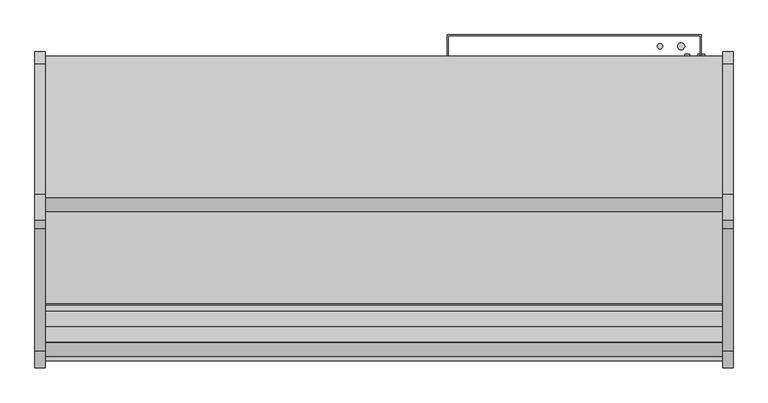
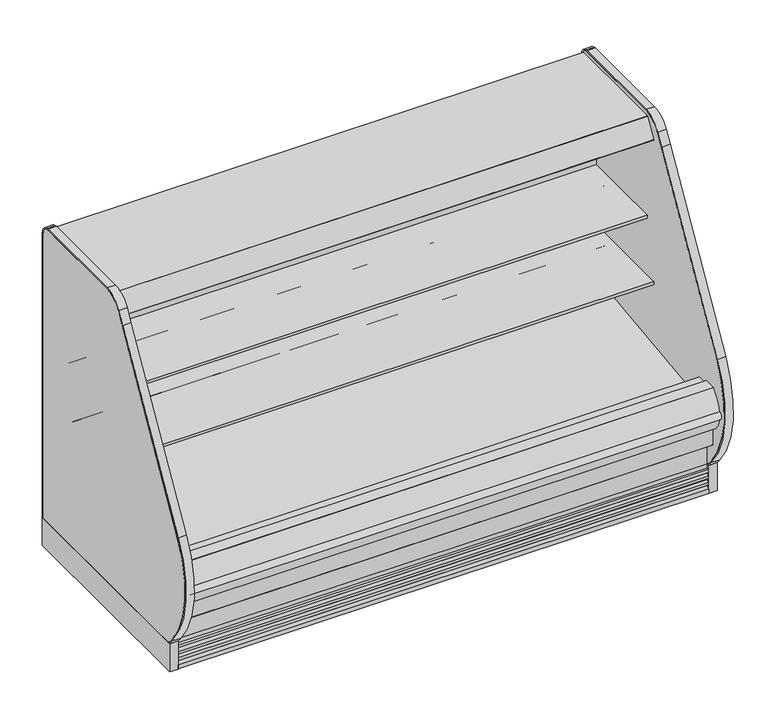
"""IFC4 building model written with IfcOpenShell, lengths in millimetres: proxy geometry."""

from ifc_helpers import new_model, si_unit, point, frame, frame_2d, origin, origin_with_axes, place, context, project, spatial, polyline, circle_curve, trimmed, segment, composite_curve, outline, extrude, source, transform, mapped, element, save
from ifc_brep_helpers import plane_surface, revolved_surface, advanced_brep


def mechanical_equipment_713462fd(model_context):
    return source(origin(), model_context, "Body", "SolidModel", [
        extrude(outline(polyline([(-1207.2868281, 130.175), (-1207.2868281, -0.0003808), (-1376.2339273, -0.0003808), (-1376.2339273, 136.4466748), (-1288.2500912, 136.4466748), (-1280.7758002, 130.175), (-1207.2868281, 130.175)])), frame((0.0, 0.0, 0.0), z_axis=(1.0, 0.0, 0.0), x_axis=(0.0, 1.0, 0.0)), (0.0, 0.0, 1.0), 2438.4),
        extrude(outline(composite_curve([segment(polyline([(-1398.2490481, 0.0), (-1398.2490481, 20.8794252)]), True, "CONTINUOUS"), segment(trimmed(circle_curve(frame_2d((-1397.8038485, 33.7824713)), 12.9107243), [point((-1398.2490481, 20.8794252))], [point((-1385.5100751, 29.8391301))], True, "CARTESIAN"), True, "CONTINUOUS"), segment(polyline([(-1385.5100751, 29.8391301), (-1381.3520273, 40.67714), (-1391.9892225, 38.5193172), (-1393.9831225, 38.5193172), (-1393.9831225, 51.2193172)]), True, "CONTINUOUS"), segment(trimmed(circle_curve(frame_2d((-1398.4009903, 64.7214645)), 14.2065314), [point((-1393.9831225, 51.2193172))], [point((-1384.8411244, 60.4840631))], True, "CARTESIAN"), True, "CONTINUOUS"), segment(polyline([(-1384.8411244, 60.4840631), (-1381.3520273, 71.6493231), (-1391.9892225, 69.4915004), (-1393.9831225, 69.4915004), (-1393.9831225, 82.1915004)]), True, "CONTINUOUS"), segment(trimmed(circle_curve(frame_2d((-1398.4733657, 95.765064)), 14.2969897), [point((-1393.9831225, 82.1915004))], [point((-1384.8411244, 91.4562462))], True, "CARTESIAN"), True, "CONTINUOUS"), segment(polyline([(-1384.8411244, 91.4562462), (-1381.3520273, 102.4950543), (-1391.9892225, 100.4638704), (-1393.9831225, 100.4638704), (-1393.9831225, 113.1638704)]), True, "CONTINUOUS"), segment(trimmed(circle_curve(frame_2d((-1393.3853579, 124.1285303)), 10.9809422), [point((-1393.9831225, 113.1638704))], [point((-1385.5996238, 116.3849243))], True, "CARTESIAN"), True, "CONTINUOUS"), segment(polyline([(-1385.5996238, 116.3849243), (-1385.5996238, 136.5150291), (-1385.5996238, 218.1326317), (-1376.2339273, 210.2738792), (-1376.2339273, 136.5150291), (-1376.2339273, 0.0), (-1398.2490481, 0.0)]), True, "CONTINUOUS")], self_intersect=False)), frame((0.0, 0.0, 0.0), z_axis=(1.0, 0.0, 0.0), x_axis=(0.0, 1.0, 0.0)), (0.0, 0.0, 1.0), 2438.4),
        extrude(outline(polyline([(0.0, -101.6), (0.0, 0.0), (2438.4, 0.0), (2438.4, -101.6), (0.0, -101.6)])), frame((2438.4, -799.6871494, 1475.6701837), z_axis=(0.0, 0.42261826174518546, 0.906307787034558), x_axis=(-1.0, 0.0, 0.0)), (0.0, 0.0, 1.0), 25.4),
        extrude(outline(composite_curve([segment(polyline([(-856.3720739, 1487.6222561), (-855.4141789, 1487.6575247), (-854.8866944, 1488.2643263), (-826.873982, 1488.75329), (-826.3775297, 1488.1402224), (-825.5510905, 1488.0799085), (-824.9739816, 1487.5027996), (-826.8086172, 1485.4249376), (-826.6916488, 1478.7238224)]), True, "CONTINUOUS"), segment(trimmed(circle_curve(frame_2d((-823.9572832, 1478.3207136)), 2.7639197), [point((-826.6916488, 1478.7238224))], [point((-824.8850662, 1475.717164))], True, "CARTESIAN"), True, "CONTINUOUS"), segment(trimmed(circle_curve(frame_2d((-826.0622124, 1472.4138499)), 3.5067873), [point((-824.8850662, 1475.717164))], [point((-823.8846356, 1475.1626163))], False, "CARTESIAN"), True, "CONTINUOUS"), segment(trimmed(circle_curve(frame_2d((-826.2189323, 1469.0233906)), 6.5680312), [point((-823.8846356, 1475.1626163))], [point((-819.6542304, 1469.2324879))], False, "CARTESIAN"), True, "CONTINUOUS"), segment(trimmed(circle_curve(frame_2d((-1771.7877951, 1448.0264548)), 952.3696872), [point((-819.6542304, 1469.2324879))], [point((-819.4223583, 1450.8717555))], False, "CARTESIAN"), True, "CONTINUOUS"), segment(trimmed(circle_curve(frame_2d((-850.2254196, 1450.8892193)), 30.8030662), [point((-819.4223583, 1450.8717555))], [point((-819.4538953, 1449.4955962))], False, "CARTESIAN"), True, "CONTINUOUS"), segment(trimmed(circle_curve(frame_2d((-820.1873248, 1449.5288127)), 0.7341812), [point((-819.4538953, 1449.4955962))], [point((-820.1745116, 1448.7947433))], False, "CARTESIAN"), True, "CONTINUOUS"), segment(polyline([(-820.1745116, 1448.7947433), (-821.4350911, 1448.7727398), (-822.2122695, 1449.0640291), (-858.1537301, 1448.4560531), (-859.1450473, 1448.07347), (-860.3206391, 1448.0939901)]), True, "CONTINUOUS"), segment(trimmed(circle_curve(frame_2d((-860.3078259, 1448.8280595)), 0.7341812), [point((-860.3206391, 1448.0939901))], [point((-861.0113379, 1448.6180762))], False, "CARTESIAN"), True, "CONTINUOUS"), segment(trimmed(circle_curve(frame_2d((308.1866283, 1488.9190227)), 1169.8923242), [point((-861.0113379, 1448.6180762))], [point((-861.5275157, 1468.501587))], False, "CARTESIAN"), True, "CONTINUOUS"), segment(trimmed(circle_curve(frame_2d((-855.2571389, 1468.6110368)), 6.2713319), [point((-861.5275157, 1468.501587))], [point((-858.4871137, 1473.9866175))], False, "CARTESIAN"), True, "CONTINUOUS"), segment(polyline([(-858.4871137, 1473.9866175), (-856.5261956, 1475.1648559)]), True, "CONTINUOUS"), segment(trimmed(circle_curve(frame_2d((-858.3327963, 1478.1715444)), 3.5077032), [point((-856.5261956, 1475.1648559))], [point((-854.825627, 1478.232742))], True, "CARTESIAN"), True, "CONTINUOUS"), segment(polyline([(-854.825627, 1478.232742), (-854.9784229, 1485.020105), (-856.884522, 1487.0327521), (-856.3720739, 1487.6222561)]), True, "CONTINUOUS")], self_intersect=False)), frame((0.0, 0.0, 0.0), z_axis=(1.0, 0.0, 0.0), x_axis=(0.0, 1.0, 0.0)), (0.0, 0.0, 1.0), 2438.4),
        extrude(outline(composite_curve([segment(polyline([(-903.3507477, 1486.8022403), (-902.3928526, 1486.8375089), (-901.8653681, 1487.4443105), (-873.8526557, 1487.9332742), (-873.3562034, 1487.3202066), (-872.5297642, 1487.2598927), (-871.9526553, 1486.6827838), (-873.787291, 1484.6049218), (-873.6703226, 1477.9038066)]), True, "CONTINUOUS"), segment(trimmed(circle_curve(frame_2d((-870.935957, 1477.5006978)), 2.7639197), [point((-873.6703226, 1477.9038066))], [point((-871.8637399, 1474.8971482))], True, "CARTESIAN"), True, "CONTINUOUS"), segment(trimmed(circle_curve(frame_2d((-873.0408861, 1471.5938341)), 3.5067873), [point((-871.8637399, 1474.8971482))], [point((-870.8633094, 1474.3426005))], False, "CARTESIAN"), True, "CONTINUOUS"), segment(trimmed(circle_curve(frame_2d((-873.1976061, 1468.2033748)), 6.5680312), [point((-870.8633094, 1474.3426005))], [point((-866.6329041, 1468.4124721))], False, "CARTESIAN"), True, "CONTINUOUS"), segment(trimmed(circle_curve(frame_2d((-1818.7664689, 1447.206439)), 952.3696872), [point((-866.6329041, 1468.4124721))], [point((-866.401032, 1450.0517397))], False, "CARTESIAN"), True, "CONTINUOUS"), segment(trimmed(circle_curve(frame_2d((-897.2040933, 1450.0692035)), 30.8030662), [point((-866.401032, 1450.0517397))], [point((-866.4325691, 1448.6755804))], False, "CARTESIAN"), True, "CONTINUOUS"), segment(trimmed(circle_curve(frame_2d((-867.1659985, 1448.7087969)), 0.7341812), [point((-866.4325691, 1448.6755804))], [point((-867.1531853, 1447.9747275))], False, "CARTESIAN"), True, "CONTINUOUS"), segment(polyline([(-867.1531853, 1447.9747275), (-868.4137648, 1447.952724), (-869.1909432, 1448.2440133), (-905.1324038, 1447.6360373), (-906.1237211, 1447.2534542), (-907.2993128, 1447.2739743)]), True, "CONTINUOUS"), segment(trimmed(circle_curve(frame_2d((-907.2864996, 1448.0080437)), 0.7341812), [point((-907.2993128, 1447.2739743))], [point((-907.9900116, 1447.7980604))], False, "CARTESIAN"), True, "CONTINUOUS"), segment(trimmed(circle_curve(frame_2d((261.2079545, 1488.0990069)), 1169.8923242), [point((-907.9900116, 1447.7980604))], [point((-908.5061894, 1467.6815712))], False, "CARTESIAN"), True, "CONTINUOUS"), segment(trimmed(circle_curve(frame_2d((-902.2358127, 1467.791021)), 6.2713319), [point((-908.5061894, 1467.6815712))], [point((-905.4657874, 1473.1666017))], False, "CARTESIAN"), True, "CONTINUOUS"), segment(polyline([(-905.4657874, 1473.1666017), (-903.5048694, 1474.3448401)]), True, "CONTINUOUS"), segment(trimmed(circle_curve(frame_2d((-905.31147, 1477.3515286)), 3.5077032), [point((-903.5048694, 1474.3448401))], [point((-901.8043008, 1477.4127262))], True, "CARTESIAN"), True, "CONTINUOUS"), segment(polyline([(-901.8043008, 1477.4127262), (-901.9570967, 1484.2000892), (-903.8631957, 1486.2127363), (-903.3507477, 1486.8022403)]), True, "CONTINUOUS")], self_intersect=False)), frame((0.0, 0.0, 0.0), z_axis=(1.0, 0.0, 0.0), x_axis=(0.0, 1.0, 0.0)), (0.0, 0.0, 1.0), 2438.4),
        extrude(outline(composite_curve([segment(polyline([(-1430.5207837, 390.4771975), (-1430.5207837, 349.2540688), (-1454.9909131, 349.2540688)]), True, "CONTINUOUS"), segment(trimmed(circle_curve(frame_2d((-1359.7644053, 433.283303)), 126.9999999), [point((-1454.9909131, 349.2540688))], [point((-1486.2875159, 444.2788694))], False, "CARTESIAN"), True, "CONTINUOUS"), segment(trimmed(circle_curve(frame_2d((-1312.9030759, 405.0685499)), 177.7628003), [point((-1486.2875159, 444.2788694))], [point((-1433.6857347, 535.4953973))], False, "CARTESIAN"), True, "CONTINUOUS"), segment(trimmed(circle_curve(frame_2d((-1422.8289382, 523.7717132)), 15.9785731), [point((-1433.6857347, 535.4953973))], [point((-1432.3887837, 536.575))], False, "CARTESIAN"), True, "CONTINUOUS"), segment(polyline([(-1432.3887837, 536.575), (-1377.3315877, 536.575), (-1377.3315877, 522.2875), (-1379.5124455, 522.2875), (-1379.5124455, 390.4771975), (-1430.5207837, 390.4771975)]), True, "CONTINUOUS")], self_intersect=False)), frame((0.0, 0.0, 0.0), z_axis=(1.0, 0.0, 0.0), x_axis=(0.0, 1.0, 0.0)), (0.0, 0.0, 1.0), 2438.4),
        extrude(outline(composite_curve([segment(trimmed(circle_curve(frame_2d((1219.2, -1125.4089273)), 38.1), [point((1181.1, -1125.4089273))], [point((1257.3, -1125.4089273))], False, "CARTESIAN"), True, "CONTINUOUS"), segment(trimmed(circle_curve(frame_2d((1219.2, -1125.4089273)), 38.1), [point((1257.3, -1125.4089273))], [point((1181.1, -1125.4089273))], False, "CARTESIAN"), True, "CONTINUOUS")], self_intersect=False)), frame((0.0, 0.0, 68.5310382), z_axis=(0.0, 0.0, 1.0), x_axis=(1.0, 0.0, 0.0)), (0.0, 0.0, 1.0), 52.7807458),
        extrude(outline(polyline([(2438.4, -452.3089273), (2438.4, -503.4770145), (0.0, -503.4770145), (0.0, -452.3089273), (2438.4, -452.3089273)])), frame((0.0, 0.0, 415.8429537), z_axis=(0.0, 0.0, 1.0), x_axis=(1.0, 0.0, 0.0)), (0.0, 0.0, 1.0), 1046.4774215),
        extrude(outline(composite_curve([segment(polyline([(-503.4770145, 415.8429537), (-452.3089273, 415.8429537), (-452.3089273, 350.7638053)]), True, "CONTINUOUS"), segment(trimmed(circle_curve(frame_2d((-604.8944357, 364.8057873)), 153.2302667), [point((-452.3089273, 350.7638053))], [point((-599.382701, 211.674682))], False, "CARTESIAN"), True, "CONTINUOUS"), segment(polyline([(-599.382701, 211.674682), (-1043.4743285, 195.6902403), (-1096.5862318, 157.108203), (-1163.4022387, 157.108203), (-1222.6456907, 183.5781606)]), True, "CONTINUOUS"), segment(trimmed(circle_curve(frame_2d((-1229.7607422, 334.6755912)), 151.2648587), [point((-1222.6456907, 183.5781606))], [point((-1379.5124455, 313.3335003))], False, "CARTESIAN"), True, "CONTINUOUS"), segment(polyline([(-1379.5124455, 313.3335003), (-1379.5124455, 520.7), (-1322.6270145, 520.7), (-1322.6270145, 413.1242521), (-1298.2271496, 413.1242521), (-1292.7855784, 415.0658915), (-599.3661067, 499.7256153), (-599.0019346, 494.5177112), (-516.37749, 500.2953752)]), True, "CONTINUOUS"), segment(trimmed(circle_curve(frame_2d((-516.37749, 513.1958507)), 12.9004754), [point((-516.37749, 500.2953752))], [point((-503.4770145, 513.1958507))], True, "CARTESIAN"), True, "CONTINUOUS"), segment(polyline([(-503.4770145, 513.1958507), (-503.4770145, 415.8429537)]), True, "CONTINUOUS")], self_intersect=False)), frame((0.0, 0.0, 0.0), z_axis=(1.0, 0.0, 0.0), x_axis=(0.0, 1.0, 0.0)), (0.0, 0.0, 1.0), 2438.4),
        extrude(outline(composite_curve([segment(polyline([(-530.9801751, 960.3717348), (-569.2018757, 991.4550034)]), True, "CONTINUOUS"), segment(trimmed(circle_curve(frame_2d((-609.2663488, 942.1895186)), 63.5), [point((-569.2018757, 991.4550034))], [point((-601.7092961, 1005.2382375))], True, "CARTESIAN"), True, "CONTINUOUS"), segment(polyline([(-601.7092961, 1005.2382375), (-795.7710126, 1028.4985771), (-795.7710126, 1042.2134588), (-909.8770145, 1042.2134588), (-909.8770145, 1055.7072088), (-503.4770145, 1055.7072088), (-503.4770145, 954.8969333), (-514.5849068, 954.6806162)]), True, "CONTINUOUS"), segment(trimmed(circle_curve(frame_2d((-515.0728525, 979.736644)), 25.0607786), [point((-514.5849068, 954.6806162))], [point((-530.9801751, 960.3717348))], False, "CARTESIAN"), True, "CONTINUOUS")], self_intersect=False)), frame((0.0, 0.0, 0.0), z_axis=(1.0, 0.0, 0.0), x_axis=(0.0, 1.0, 0.0)), (0.0, 0.0, 1.0), 2438.4),
        extrude(outline(composite_curve([segment(polyline([(-503.4770145, 662.7969333), (-514.5849068, 662.5806162)]), True, "CONTINUOUS"), segment(trimmed(circle_curve(frame_2d((-515.0728525, 687.636644)), 25.0607786), [point((-514.5849068, 662.5806162))], [point((-530.9801751, 668.2717348))], False, "CARTESIAN"), True, "CONTINUOUS"), segment(polyline([(-530.9801751, 668.2717348), (-569.2018757, 699.3550034)]), True, "CONTINUOUS"), segment(trimmed(circle_curve(frame_2d((-609.2663488, 650.0895186)), 63.5), [point((-569.2018757, 699.3550034))], [point((-602.5000022, 713.2279898))], True, "CARTESIAN"), True, "CONTINUOUS"), segment(polyline([(-602.5000022, 713.2279898), (-846.5710126, 728.338644), (-846.5710126, 750.1134588), (-960.6770145, 750.1134588), (-960.6770145, 763.6072088), (-503.4770145, 763.6072088), (-503.4770145, 662.7969333)]), True, "CONTINUOUS")], self_intersect=False)), frame((0.0, 0.0, 0.0), z_axis=(1.0, 0.0, 0.0), x_axis=(0.0, 1.0, 0.0)), (0.0, 0.0, 1.0), 2438.4),
        extrude(outline(composite_curve([segment(trimmed(circle_curve(frame_2d((-695.3013052, 1455.43905)), 0.76835), [point((-695.3013052, 1456.2074))], [point((-695.9976668, 1455.7637687))], True, "CARTESIAN"), True, "CONTINUOUS"), segment(polyline([(-695.9976668, 1455.7637687), (-706.5611798, 1433.110242)]), True, "CONTINUOUS"), segment(trimmed(circle_curve(frame_2d((-707.9856498, 1433.7744833)), 1.5717288), [point((-706.5611798, 1433.110242))], [point((-708.6498911, 1432.3500132))], False, "CARTESIAN"), True, "CONTINUOUS"), segment(polyline([(-708.6498911, 1432.3500132), (-715.881023, 1435.7219454), (-715.5482534, 1436.4355721), (-708.2947774, 1433.0532208)]), True, "CONTINUOUS"), segment(trimmed(circle_curve(frame_2d((-707.943721, 1433.7474904)), 0.7779788), [point((-708.2947774, 1433.0532208))], [point((-707.2380589, 1433.419936))], True, "CARTESIAN"), True, "CONTINUOUS"), segment(polyline([(-707.2380589, 1433.419936), (-696.6605659, 1456.2074), (-788.8757065, 1499.8444274), (-800.3012047, 1476.8507393)]), True, "CONTINUOUS"), segment(trimmed(circle_curve(frame_2d((-799.6017464, 1476.5031805)), 0.78105), [point((-800.3012047, 1476.8507393))], [point((-799.950235, 1475.8041849))], True, "CARTESIAN"), True, "CONTINUOUS"), segment(polyline([(-799.950235, 1475.8041849), (-795.6757679, 1473.6731228), (-796.0261524, 1472.9679779), (-800.3025155, 1475.0928905)]), True, "CONTINUOUS"), segment(trimmed(circle_curve(frame_2d((-799.6017464, 1476.5031805)), 1.5748), [point((-800.3025155, 1475.0928905))], [point((-801.0120364, 1477.2039496))], False, "CARTESIAN"), True, "CONTINUOUS"), segment(polyline([(-801.0120364, 1477.2039496), (-796.0056712, 1487.2792037), (-816.3291285, 1487.2792037)]), True, "CONTINUOUS"), segment(trimmed(circle_curve(frame_2d((-816.5814575, 1490.9411983)), 3.6706776), [point((-816.3291285, 1487.2792037))], [point((-817.4214474, 1487.3679237))], False, "CARTESIAN"), True, "CONTINUOUS"), segment(polyline([(-817.4214474, 1487.3679237), (-825.4219867, 1488.7786346), (-923.6334072, 1487.0643479)]), True, "CONTINUOUS"), segment(trimmed(circle_curve(frame_2d((-923.6196651, 1486.2770678)), 0.7874), [point((-923.6334072, 1487.0643479))], [point((-924.3015736, 1486.6707678))], True, "CARTESIAN"), True, "CONTINUOUS"), segment(polyline([(-924.3015736, 1486.6707678), (-925.5155025, 1486.0413812), (-941.8431879, 1457.7610006), (-942.4019879, 1456.7931306), (-948.3519379, 1446.4875149)]), True, "CONTINUOUS"), segment(trimmed(circle_curve(frame_2d((-949.7267532, 1447.2812649)), 1.5875), [point((-948.3519379, 1446.4875149))], [point((-950.5205032, 1445.9064496))], False, "CARTESIAN"), True, "CONTINUOUS"), segment(polyline([(-950.5205032, 1445.9064496), (-960.9762429, 1451.9430737)]), True, "CONTINUOUS"), segment(trimmed(circle_curve(frame_2d((-960.1824929, 1453.317889)), 1.5875), [point((-960.9762429, 1451.9430737))], [point((-961.5573082, 1454.111639))], False, "CARTESIAN"), True, "CONTINUOUS"), segment(polyline([(-961.5573082, 1454.111639), (-912.4789521, 1539.1178453)]), True, "CONTINUOUS"), segment(trimmed(circle_curve(frame_2d((-911.133385, 1538.3409817)), 1.553727), [point((-912.4789521, 1539.1178453))], [point((-911.133385, 1539.8947088))], False, "CARTESIAN"), True, "CONTINUOUS"), segment(polyline([(-911.133385, 1539.8947088), (-401.5419232, 1539.8947088), (-401.5419232, 1456.2074), (-695.3013052, 1456.2074)]), True, "CONTINUOUS")], self_intersect=False)), frame((0.0, 0.0, 0.0), z_axis=(1.0, 0.0, 0.0), x_axis=(0.0, 1.0, 0.0)), (0.0, 0.0, 1.0), 2438.4),
        extrude(outline(composite_curve([segment(trimmed(circle_curve(frame_2d((2193.5400636, -715.8339273)), 9.525), [point((2184.0150636, -715.8339273))], [point((2203.0650636, -715.8339273))], False, "CARTESIAN"), True, "CONTINUOUS"), segment(trimmed(circle_curve(frame_2d((2193.5400636, -715.8339273)), 9.525), [point((2203.0650636, -715.8339273))], [point((2184.0150636, -715.8339273))], False, "CARTESIAN"), True, "CONTINUOUS")], self_intersect=False)), frame((0.0, 0.0, 68.5310382), z_axis=(0.0, 0.0, 1.0), x_axis=(1.0, 0.0, 0.0)), (0.0, 0.0, 1.0), 52.7807458),
        extrude(outline(composite_curve([segment(trimmed(circle_curve(frame_2d((2237.0110784, -715.8339273)), 12.7), [point((2224.3110784, -715.8339273))], [point((2249.7110784, -715.8339273))], False, "CARTESIAN"), True, "CONTINUOUS"), segment(trimmed(circle_curve(frame_2d((2237.0110784, -715.8339273)), 12.7), [point((2249.7110784, -715.8339273))], [point((2224.3110784, -715.8339273))], False, "CARTESIAN"), True, "CONTINUOUS")], self_intersect=False)), frame((0.0, 0.0, 68.5310382), z_axis=(0.0, 0.0, 1.0), x_axis=(1.0, 0.0, 0.0)), (0.0, 0.0, 1.0), 52.7807458),
        advanced_brep(
        [(0.0, -401.5089273, 1495.0345648), (0.0, -401.5089273, 130.175), (0.0, -1280.7758002, 130.175), (0.0, -1430.5207837, 255.8259604), (0.0, -1430.5207837, 390.4771975), (0.0, -1379.5124455, 390.4771975), (0.0, -1379.5124455, 313.3335003), (0.0, -1222.6456907, 183.5781606), (0.0, -1163.4022387, 157.108203), (0.0, -1097.1040899, 157.108203), (0.0, -1043.9921866, 195.6902403), (0.0, -599.382701, 211.674682), (0.0, -452.3089273, 350.7638053), (0.0, -452.3089273, 1495.0345648), (2438.4, -401.5089273, 1495.0345648), (2438.4, -452.3089273, 1495.0345648), (2438.4, -452.3089273, 350.7638053), (2438.4, -599.382701, 211.674682), (2438.4, -1043.9921866, 195.6902403), (2438.4, -1097.1040899, 157.108203), (2438.4, -1163.4022387, 157.108203), (2438.4, -1222.6456907, 183.5781606), (2438.4, -1379.5124455, 313.3335003), (2438.4, -1379.5124455, 390.4771975), (2438.4, -1430.5207837, 390.4771975), (2438.4, -1430.5207837, 255.8259604), (2438.4, -1280.7758002, 130.175), (2438.4, -401.5089273, 130.175), (2336.8, -401.5089273, 417.7254285), (2336.8, -401.5089273, 316.1254285), (2336.8, -446.7209273, 316.1254285), (2336.8, -446.7209273, 417.7254285)],
        [
            (0, 1),
            (1, 2),
            (2, 3),
            (3, 4),
            (4, 5),
            (5, 6),
            (6, 7, circle_curve(frame((0.0, -1229.7607422, 334.6755912), z_axis=(1.0, 0.0, 0.0), x_axis=(0.0, 1.0, 0.0)), 151.2648587)),
            (7, 8),
            (8, 9),
            (9, 10),
            (10, 11),
            (11, 12, circle_curve(frame((0.0, -604.8944357, 364.8057873), z_axis=(1.0, 0.0, 0.0), x_axis=(0.0, 1.0, 0.0)), 153.2302667)),
            (12, 13),
            (13, 0),
            (14, 15),
            (15, 16),
            (16, 17, circle_curve(frame((2438.4, -604.8944357, 364.8057873), z_axis=(-1.0, 0.0, 0.0), x_axis=(0.0, 1.0, 0.0)), 153.2302667)),
            (17, 18),
            (18, 19),
            (19, 20),
            (20, 21),
            (21, 22, circle_curve(frame((2438.4, -1229.7607422, 334.6755912), z_axis=(-1.0, 0.0, 0.0), x_axis=(0.0, 1.0, 0.0)), 151.2648587)),
            (22, 23),
            (23, 24),
            (24, 25),
            (25, 26),
            (26, 27),
            (27, 14),
            (13, 15),
            (14, 0),
            (12, 16),
            (5, 23),
            (22, 6),
            (4, 24),
            (3, 25),
            (2, 26),
            (1, 27),
            (28, 29, circle_curve(frame((2336.8, -401.5089273, 366.9254285), z_axis=(0.0, -1.0, 0.0), x_axis=(0.0, 0.0, 1.0)), 50.8)),
            (29, 28, circle_curve(frame((2336.8, -401.5089273, 366.9254285), z_axis=(0.0, -1.0, 0.0), x_axis=(0.0, 0.0, 1.0)), 50.8)),
            (11, 17),
            (10, 18),
            (9, 19),
            (8, 20),
            (30, 31, circle_curve(frame((2336.8, -446.7209273, 366.9254285), z_axis=(0.0, 1.0, 0.0), x_axis=(0.0, 0.0, 1.0)), 50.8)),
            (31, 30, circle_curve(frame((2336.8, -446.7209273, 366.9254285), z_axis=(0.0, 1.0, 0.0), x_axis=(0.0, 0.0, 1.0)), 50.8)),
            (30, 29),
            (28, 31),
            (7, 21),
        ],
        [
            plane_surface(frame((0.0, -452.3089273, 1495.0345648), z_axis=(-1.0, 0.0, 0.0), x_axis=(0.0, 1.0, 0.0))),
            plane_surface(frame((2438.4, -452.3089273, 1495.0345648), z_axis=(1.0, 0.0, 0.0), x_axis=(0.0, -1.0, 0.0))),
            plane_surface(frame((2438.4, -401.5089273, 1495.0345648), z_axis=(0.0, 0.0, 1.0), x_axis=(-1.0, 0.0, 0.0))),
            plane_surface(frame((2438.4, -452.3089273, 1495.0345648), z_axis=(0.0, -1.0, 0.0), x_axis=(-1.0, 0.0, 0.0))),
            plane_surface(frame((2438.4, -1379.5124455, 313.3335003), z_axis=(0.0, 1.0, 0.0), x_axis=(-1.0, 0.0, 0.0))),
            plane_surface(frame((2438.4, -1379.5124455, 390.4771975), z_axis=(0.0, 0.0, 1.0), x_axis=(-1.0, 0.0, 0.0))),
            plane_surface(frame((2438.4, -1430.5207837, 390.4771975), z_axis=(0.0, -1.0, 0.0), x_axis=(-1.0, 0.0, 0.0))),
            plane_surface(frame((2438.4, -1430.5207837, 255.8259604), z_axis=(0.0, -0.6427876096870797, -0.7660444431185247), x_axis=(-1.0, 0.0, 0.0))),
            plane_surface(frame((2438.4, -1280.7758002, 130.175), z_axis=(0.0, 0.0, -1.0), x_axis=(-1.0, 0.0, 0.0))),
            plane_surface(frame((2438.4, -401.5089273, 130.175), z_axis=(0.0, 1.0, 0.0), x_axis=(-1.0, 0.0, 0.0))),
            revolved_surface(polyline([(0.0, -451.664169, 364.8057873), (2438.4, -451.664169, 364.8057873)]), (0.0, -604.8944357, 364.8057873), (-1.0, 0.0, 0.0)),
            plane_surface(frame((2438.4, -599.382701, 211.674682), z_axis=(0.0, -0.03592843195619589, 0.9993543654666092), x_axis=(-1.0, 0.0, 0.0))),
            plane_surface(frame((2438.4, -1043.9921866, 195.6902403), z_axis=(0.0, -0.5877252382161418, 0.8090605937528904), x_axis=(-1.0, 0.0, 0.0))),
            plane_surface(frame((2438.4, -1097.1040899, 157.108203), z_axis=(0.0, 0.0, 1.0), x_axis=(-1.0, 0.0, 0.0))),
            plane_surface(frame((2336.8, -446.7209273, 417.7254285), z_axis=(0.0, 1.0, 0.0), x_axis=(-1.0, 0.0, 0.0))),
            revolved_surface(polyline([(2336.8, -401.5089273, 417.7254285), (2336.8, -446.7209273, 417.7254285)]), (2336.8, -446.7209273, 366.9254285), (0.0, 1.0, 0.0)),
            plane_surface(frame((2438.4, -1163.4022387, 157.108203), z_axis=(0.0, 0.4079333701562298, 0.9130117006440719), x_axis=(-1.0, 0.0, 0.0))),
            revolved_surface(polyline([(0.0, -1078.4958835000002, 334.6755912), (2438.4, -1078.4958835000002, 334.6755912)]), (0.0, -1229.7607422, 334.6755912), (-1.0, 0.0, 0.0)),
        ],
        [
            (0, [[1, 2, 3, 4, 5, 6, 7, 8, 9, 10, 11, 12, 13, 14]]),
            (1, [[15, 16, 17, 18, 19, 20, 21, 22, 23, 24, 25, 26, 27, 28]]),
            (2, [[-14, 29, -15, 30]]),
            (3, [[-13, 31, -16, -29]]),
            (4, [[-6, 32, -23, 33]]),
            (5, [[-5, 34, -24, -32]]),
            (6, [[-4, 35, -25, -34]]),
            (7, [[-3, 36, -26, -35]]),
            (8, [[-2, 37, -27, -36]]),
            (9, [[-1, -30, -28, -37], [38, 39]]),
            (10, [[-12, 40, -17, -31]]),
            (11, [[-11, 41, -18, -40]]),
            (12, [[-10, 42, -19, -41]]),
            (13, [[-9, 43, -20, -42]]),
            (14, [[44, 45]]),
            (15, [[-44, 46, -38, 47]]),
            (15, [[-45, -47, -39, -46]]),
            (16, [[-8, 48, -21, -43]]),
            (17, [[-7, -33, -22, -48]]),
        ],
    ),
        extrude(outline(composite_curve([segment(trimmed(circle_curve(frame_2d((-1359.976437, 433.7703881)), 126.8661634), [point((-1486.5241419, 442.7538054))], [point((-1485.1943519, 413.38664))], True, "CARTESIAN"), True, "CONTINUOUS"), segment(trimmed(circle_curve(frame_2d((-1481.8568934, 431.5331592)), 18.450875), [point((-1485.1943519, 413.38664))], [point((-1484.8478424, 449.7399989))], False, "CARTESIAN"), True, "CONTINUOUS"), segment(trimmed(circle_curve(frame_2d((-1312.8669676, 404.7799086)), 177.7606003), [point((-1484.8478424, 449.7399989))], [point((-1486.5241419, 442.7538054))], True, "CARTESIAN"), True, "CONTINUOUS")], self_intersect=False)), frame((0.0, 0.0, 0.0), z_axis=(1.0, 0.0, 0.0), x_axis=(0.0, 1.0, 0.0)), (0.0, 0.0, 1.0), 2438.4),
        extrude(outline(composite_curve([segment(trimmed(circle_curve(frame_2d((368.3, 2362.2)), 12.7), [point((368.3, 2374.9))], [point((368.3, 2349.5))], False, "CARTESIAN"), True, "CONTINUOUS"), segment(trimmed(circle_curve(frame_2d((368.3, 2362.2)), 12.7), [point((368.3, 2349.5))], [point((368.3, 2374.9))], False, "CARTESIAN"), True, "CONTINUOUS")], self_intersect=False)), frame((0.0, -446.7209273, 0.0), z_axis=(0.0, 1.0, 0.0), x_axis=(0.0, 0.0, 1.0)), (0.0, 0.0, 1.0), 52.8518438),
        extrude(outline(composite_curve([segment(trimmed(circle_curve(frame_2d((368.3, 2311.4)), 9.525), [point((368.3, 2320.925))], [point((368.3, 2301.875))], False, "CARTESIAN"), True, "CONTINUOUS"), segment(trimmed(circle_curve(frame_2d((368.3, 2311.4)), 9.525), [point((368.3, 2301.875))], [point((368.3, 2320.925))], False, "CARTESIAN"), True, "CONTINUOUS")], self_intersect=False)), frame((0.0, -446.7209273, 0.0), z_axis=(0.0, 1.0, 0.0), x_axis=(0.0, 0.0, 1.0)), (0.0, 0.0, 1.0), 52.8518438),
        advanced_brep(
        [(0.0, -401.5089273, 130.175), (0.0, -401.5089273, 0.0), (0.0, -442.9395023, 0.0), (0.0, -442.9395023, 46.0815692), (0.0, -1163.3527173, 46.0815692), (0.0, -1163.3527173, -0.0003808), (0.0, -1207.2868281, -0.0003808), (0.0, -1207.2868281, 130.175), (2438.4, -401.5089273, 130.175), (2438.4, -1207.2868281, 130.175), (2438.4, -1207.2868281, -0.0003808), (2438.4, -1163.3527173, -0.0003808), (2438.4, -1163.3527173, 46.0815692), (2438.4, -442.9395023, 46.0815692), (2438.4, -442.9395023, 0.0), (2438.4, -401.5089273, 0.0), (1168.4, -1125.4089273, 121.311784), (1270.0, -1125.4089273, 121.311784), (1270.0, -1125.4089273, 46.0815692), (1252.9773415, -1163.3527173, 46.0815692), (1252.9773415, -1163.3527173, -0.0003808), (1185.4226585, -1163.3527173, -0.0003808), (1185.4226585, -1163.3527173, 46.0815692), (1168.4, -1125.4089273, 46.0815692), (2165.35, -717.7620933, 121.311784), (2266.95, -717.7620933, 121.311784), (2266.95, -717.7620933, 46.0815692), (2165.35, -717.7620933, 46.0815692)],
        [
            (0, 1),
            (1, 2),
            (2, 3),
            (3, 4),
            (4, 5),
            (5, 6),
            (6, 7),
            (7, 0),
            (8, 9),
            (9, 10),
            (10, 11),
            (11, 12),
            (12, 13),
            (13, 14),
            (14, 15),
            (15, 8),
            (0, 8),
            (15, 1),
            (16, 17, circle_curve(frame((1219.2, -1125.4089273, 121.311784), z_axis=(0.0, 0.0, -1.0), x_axis=(1.0, 0.0, 0.0)), 50.8)),
            (17, 16, circle_curve(frame((1219.2, -1125.4089273, 121.311784), z_axis=(0.0, 0.0, -1.0), x_axis=(1.0, 0.0, 0.0)), 50.8)),
            (17, 18),
            (18, 19, circle_curve(frame((1219.2, -1125.4089273, 46.0815692), z_axis=(0.0, 0.0, -1.0), x_axis=(1.0, 0.0, 0.0)), 50.8)),
            (19, 20),
            (20, 21, circle_curve(frame((1219.2, -1125.4089273, -0.0003808), z_axis=(0.0, 0.0, -1.0), x_axis=(1.0, 0.0, 0.0)), 50.8)),
            (21, 22),
            (22, 23, circle_curve(frame((1219.2, -1125.4089273, 46.0815692), z_axis=(0.0, 0.0, -1.0), x_axis=(1.0, 0.0, 0.0)), 50.8)),
            (23, 16),
            (23, 18, circle_curve(frame((1219.2, -1125.4089273, 46.0815692), z_axis=(0.0, 0.0, -1.0), x_axis=(1.0, 0.0, 0.0)), 50.8)),
            (24, 25, circle_curve(frame((2216.15, -717.7620933, 121.311784), z_axis=(0.0, 0.0, -1.0), x_axis=(1.0, 0.0, 0.0)), 50.8)),
            (25, 24, circle_curve(frame((2216.15, -717.7620933, 121.311784), z_axis=(0.0, 0.0, -1.0), x_axis=(1.0, 0.0, 0.0)), 50.8)),
            (25, 26),
            (26, 27, circle_curve(frame((2216.15, -717.7620933, 46.0815692), z_axis=(0.0, 0.0, -1.0), x_axis=(1.0, 0.0, 0.0)), 50.8)),
            (27, 24),
            (27, 26, circle_curve(frame((2216.15, -717.7620933, 46.0815692), z_axis=(0.0, 0.0, -1.0), x_axis=(1.0, 0.0, 0.0)), 50.8)),
            (4, 22),
            (21, 5),
            (11, 20),
            (19, 12),
            (3, 13),
            (2, 14),
            (7, 9),
            (6, 10),
        ],
        [
            plane_surface(frame((0.0, -1174.6544232, 130.175), z_axis=(-1.0, 0.0, 0.0), x_axis=(0.0, 1.0, 0.0))),
            plane_surface(frame((2438.4, -1174.6544232, 130.175), z_axis=(1.0, 0.0, 0.0), x_axis=(0.0, -1.0, 0.0))),
            plane_surface(frame((2438.4, -401.5089273, 0.0), z_axis=(0.0, 1.0, 0.0), x_axis=(-1.0, 0.0, 0.0))),
            plane_surface(frame((1270.0, -1125.4089273, 121.311784), z_axis=(0.0, 0.0, -1.0), x_axis=(0.0, 1.0, 0.0))),
            revolved_surface(polyline([(1270.0, -1125.4089273, 121.311784), (1270.0, -1125.4089273, -0.0003808)]), (1219.2, -1125.4089273, 0.0), (0.0, 0.0, 1.0)),
            revolved_surface(polyline([(1270.0, -1125.4089273, 121.311784), (1270.0, -1125.4089273, 46.0815692)]), (1219.2, -1125.4089273, 0.0), (0.0, 0.0, 1.0)),
            plane_surface(frame((2266.95, -717.7620933, 121.311784), z_axis=(0.0, 0.0, -1.0), x_axis=(0.0, 1.0, 0.0))),
            revolved_surface(polyline([(2266.9500000000003, -717.7620933, 121.311784), (2266.9500000000003, -717.7620933, 46.0815692)]), (2216.15, -717.7620933, 0.0), (0.0, 0.0, 1.0)),
            plane_surface(frame((2438.4, -1163.3527173, -0.0003808), z_axis=(0.0, 1.0, 0.0), x_axis=(-1.0, 0.0, 0.0))),
            plane_surface(frame((2438.4, -1163.3527173, 46.0815692), z_axis=(0.0, 0.0, -1.0), x_axis=(-1.0, 0.0, 0.0))),
            plane_surface(frame((2438.4, -442.9395023, 46.0815692), z_axis=(0.0, -1.0, 0.0), x_axis=(-1.0, 0.0, 0.0))),
            plane_surface(frame((2438.4, -442.9395023, 0.0), z_axis=(0.0, 0.0, -1.0), x_axis=(-1.0, 0.0, 0.0))),
            plane_surface(frame((2438.4, -401.5089273, 130.175), z_axis=(0.0, 0.0, 1.0), x_axis=(-1.0, 0.0, 0.0))),
            plane_surface(frame((2438.4, -1207.2868281, 130.175), z_axis=(0.0, -1.0, 0.0), x_axis=(-1.0, 0.0, 0.0))),
            plane_surface(frame((2438.4, -1207.2868281, -0.0003808), z_axis=(0.0, 0.0, -1.0), x_axis=(-1.0, 0.0, 0.0))),
        ],
        [
            (0, [[1, 2, 3, 4, 5, 6, 7, 8]]),
            (1, [[9, 10, 11, 12, 13, 14, 15, 16]]),
            (2, [[-1, 17, -16, 18]]),
            (3, [[19, 20]]),
            (4, [[-20, 21, 22, 23, 24, 25, 26, 27]]),
            (5, [[-19, -27, 28, -21]]),
            (6, [[29, 30]]),
            (7, [[-30, 31, 32, 33]]),
            (7, [[-29, -33, 34, -31]]),
            (8, [[-5, 35, -25, 36]]),
            (8, [[-12, 37, -23, 38]]),
            (9, [[-4, 39, -13, -38, -22, -28, -26, -35], [-32, -34]]),
            (10, [[-3, 40, -14, -39]]),
            (11, [[-2, -18, -15, -40]]),
            (12, [[-8, 41, -9, -17]]),
            (13, [[-7, 42, -10, -41]]),
            (14, [[-6, -36, -24, -37, -11, -42]]),
        ],
    ),
        extrude(outline(polyline([(688.975, -695.7578022), (688.975, -1117.5324221), (180.975, -1117.5324221), (180.975, -695.7578022), (688.975, -695.7578022)])), frame((0.0, 0.0, 68.5310382), z_axis=(0.0, 0.0, 1.0), x_axis=(1.0, 0.0, 0.0)), (0.0, 0.0, 1.0), 6.35),
        extrude(outline(polyline([(2359.025, -401.5089273), (2359.025, -328.4839273), (1450.975, -328.4839273), (1450.975, -401.5089273), (1447.8, -401.5089273), (1447.8, -325.3089273), (2362.2, -325.3089273), (2362.2, -401.5089273), (2359.025, -401.5089273)])), frame((0.0, 0.0, 509.3917508), z_axis=(0.0, 0.0, 1.0), x_axis=(1.0, 0.0, 0.0)), (0.0, 0.0, 1.0), 744.968275),
        extrude(outline(composite_curve([segment(trimmed(circle_curve(frame_2d((2212.975, -366.5839273)), 9.525), [point((2203.45, -366.5839273))], [point((2222.5, -366.5839273))], False, "CARTESIAN"), True, "CONTINUOUS"), segment(trimmed(circle_curve(frame_2d((2212.975, -366.5839273)), 9.525), [point((2222.5, -366.5839273))], [point((2203.45, -366.5839273))], False, "CARTESIAN"), True, "CONTINUOUS")], self_intersect=False)), frame((0.0, 0.0, 938.4284214), z_axis=(0.0, 0.0, 1.0), x_axis=(1.0, 0.0, 0.0)), (0.0, 0.0, 1.0), 359.2448082),
        extrude(outline(composite_curve([segment(trimmed(circle_curve(frame_2d((2289.175, -366.5839273)), 12.7), [point((2276.475, -366.5839273))], [point((2301.875, -366.5839273))], False, "CARTESIAN"), True, "CONTINUOUS"), segment(trimmed(circle_curve(frame_2d((2289.175, -366.5839273)), 12.7), [point((2301.875, -366.5839273))], [point((2276.475, -366.5839273))], False, "CARTESIAN"), True, "CONTINUOUS")], self_intersect=False)), frame((0.0, 0.0, 938.4284214), z_axis=(0.0, 0.0, 1.0), x_axis=(1.0, 0.0, 0.0)), (0.0, 0.0, 1.0), 359.2448082),
        extrude(outline(composite_curve([segment(polyline([(-391.9839273, 1520.06879), (-391.9839273, 136.525), (-1385.6035478, 136.525), (-1385.6035478, 142.8650291), (-1394.3058513, 142.8650291)]), True, "CONTINUOUS"), segment(trimmed(circle_curve(frame_2d((-1394.3058513, 146.0172985)), 3.1522695), [point((-1394.3058513, 142.8650291))], [point((-1396.6425152, 143.9014525))], False, "CARTESIAN"), True, "CONTINUOUS"), segment(trimmed(circle_curve(frame_2d((-1254.3960787, 272.7054115)), 191.8971301), [point((-1396.6425152, 143.9014525))], [point((-1413.8476931, 165.936075))], False, "CARTESIAN"), True, "CONTINUOUS"), segment(trimmed(circle_curve(frame_2d((-1063.8305371, 460.0786093)), 457.2), [point((-1413.8476931, 165.936075))], [point((-1459.7773517, 688.6786093))], False, "CARTESIAN"), True, "CONTINUOUS"), segment(polyline([(-1459.7773517, 688.6786093), (-987.1063555, 1507.36879)]), True, "CONTINUOUS"), segment(trimmed(circle_curve(frame_2d((-899.1181745, 1456.56879)), 101.6), [point((-987.1063555, 1507.36879))], [point((-899.1181745, 1558.16879))], False, "CARTESIAN"), True, "CONTINUOUS"), segment(polyline([(-899.1181745, 1558.16879), (-430.0839273, 1558.16879)]), True, "CONTINUOUS"), segment(trimmed(circle_curve(frame_2d((-430.0839273, 1520.06879)), 38.1), [point((-430.0839273, 1558.16879))], [point((-391.9839273, 1520.06879))], False, "CARTESIAN"), True, "CONTINUOUS")], self_intersect=False)), frame((2438.4, 0.0, 0.0), z_axis=(1.0, 0.0, 0.0), x_axis=(0.0, 1.0, 0.0)), (0.0, 0.0, 1.0), 38.1),
        extrude(outline(composite_curve([segment(polyline([(-391.9839273, 1520.06879), (-391.9839273, 136.4983166), (-1385.6035478, 136.4983166), (-1385.6035478, 142.8650291), (-1394.3058513, 142.8650291)]), True, "CONTINUOUS"), segment(trimmed(circle_curve(frame_2d((-1394.3058513, 146.0172985)), 3.1522695), [point((-1394.3058513, 142.8650291))], [point((-1396.6425152, 143.9014525))], False, "CARTESIAN"), True, "CONTINUOUS"), segment(trimmed(circle_curve(frame_2d((-1254.3960787, 272.7054115)), 191.8971301), [point((-1396.6425152, 143.9014525))], [point((-1413.8476931, 165.936075))], False, "CARTESIAN"), True, "CONTINUOUS"), segment(trimmed(circle_curve(frame_2d((-1063.8305371, 460.0786093)), 457.2), [point((-1413.8476931, 165.936075))], [point((-1459.7773517, 688.6786093))], False, "CARTESIAN"), True, "CONTINUOUS"), segment(polyline([(-1459.7773517, 688.6786093), (-987.1063555, 1507.36879)]), True, "CONTINUOUS"), segment(trimmed(circle_curve(frame_2d((-899.1181745, 1456.56879)), 101.6), [point((-987.1063555, 1507.36879))], [point((-899.1181745, 1558.16879))], False, "CARTESIAN"), True, "CONTINUOUS"), segment(polyline([(-899.1181745, 1558.16879), (-430.0839273, 1558.16879)]), True, "CONTINUOUS"), segment(trimmed(circle_curve(frame_2d((-430.0839273, 1520.06879)), 38.1), [point((-430.0839273, 1558.16879))], [point((-391.9839273, 1520.06879))], False, "CARTESIAN"), True, "CONTINUOUS")], self_intersect=False)), frame((-38.1, 0.0, 0.0), z_axis=(1.0, 0.0, 0.0), x_axis=(0.0, 1.0, 0.0)), (0.0, 0.0, 1.0), 38.1),
        extrude(outline(composite_curve([segment(polyline([(-391.9839273, 136.5150291), (-391.9839273, 1520.06879)]), True, "CONTINUOUS"), segment(trimmed(circle_curve(frame_2d((-430.0839273, 1520.06879)), 38.1), [point((-391.9839273, 1520.06879))], [point((-430.0839273, 1558.16879))], True, "CARTESIAN"), True, "CONTINUOUS"), segment(polyline([(-430.0839273, 1558.16879), (-899.1181745, 1558.16879)]), True, "CONTINUOUS"), segment(trimmed(circle_curve(frame_2d((-899.1181745, 1456.56879)), 101.6), [point((-899.1181745, 1558.16879))], [point((-987.1063555, 1507.36879))], True, "CARTESIAN"), True, "CONTINUOUS"), segment(polyline([(-987.1063555, 1507.36879), (-1459.7773517, 688.6786093)]), True, "CONTINUOUS"), segment(trimmed(circle_curve(frame_2d((-1063.8305371, 460.0786093)), 457.2), [point((-1459.7773517, 688.6786093))], [point((-1413.8476931, 165.936075))], True, "CARTESIAN"), True, "CONTINUOUS"), segment(trimmed(circle_curve(frame_2d((-1254.3960787, 272.7054115)), 191.8971301), [point((-1413.8476931, 165.936075))], [point((-1396.6425152, 143.9014525))], True, "CARTESIAN"), True, "CONTINUOUS"), segment(trimmed(circle_curve(frame_2d((-1394.3058513, 146.0172985)), 3.1522695), [point((-1396.6425152, 143.9014525))], [point((-1394.3058513, 142.8650291))], True, "CARTESIAN"), True, "CONTINUOUS"), segment(polyline([(-1394.3058513, 142.8650291), (-1385.5996238, 142.8650291), (-1385.5996238, 136.5150291), (-1398.4589273, 136.5150291)]), True, "CONTINUOUS"), segment(trimmed(circle_curve(frame_2d((-1254.3960787, 272.7054115)), 198.2471301), [point((-1398.4589273, 136.5150291))], [point((-1418.9304387, 162.1144129))], False, "CARTESIAN"), True, "CONTINUOUS"), segment(trimmed(circle_curve(frame_2d((-1063.8305371, 460.0786093)), 463.55), [point((-1418.9304387, 162.1144129))], [point((-1465.276613, 691.8536093))], False, "CARTESIAN"), True, "CONTINUOUS"), segment(polyline([(-1465.276613, 691.8536093), (-1023.8335732, 1456.4553831), (-992.6056169, 1510.54379)]), True, "CONTINUOUS"), segment(trimmed(circle_curve(frame_2d((-899.1181745, 1456.56879)), 107.95), [point((-992.6056169, 1510.54379))], [point((-899.1181745, 1564.51879))], False, "CARTESIAN"), True, "CONTINUOUS"), segment(polyline([(-899.1181745, 1564.51879), (-430.0839273, 1564.51879)]), True, "CONTINUOUS"), segment(trimmed(circle_curve(frame_2d((-430.0839273, 1520.06879)), 44.45), [point((-430.0839273, 1564.51879))], [point((-385.6339273, 1520.06879))], False, "CARTESIAN"), True, "CONTINUOUS"), segment(polyline([(-385.6339273, 1520.06879), (-385.6339273, 136.5150291), (-391.9839273, 136.5150291)]), True, "CONTINUOUS")], self_intersect=False)), frame((2438.4, 0.0, 0.0), z_axis=(1.0, 0.0, 0.0), x_axis=(0.0, 1.0, 0.0)), (0.0, 0.0, 1.0), 38.1),
        extrude(outline(polyline([(0.0, -385.6339273), (0.0, -1398.4589273), (-38.1, -1398.4589273), (-38.1, -385.6339273), (0.0, -385.6339273)])), origin_with_axes(), (0.0, 0.0, 1.0), 136.4466748),
        extrude(outline(composite_curve([segment(polyline([(-391.9839273, 136.5150291), (-391.9839273, 1520.06879)]), True, "CONTINUOUS"), segment(trimmed(circle_curve(frame_2d((-430.0839273, 1520.06879)), 38.1), [point((-391.9839273, 1520.06879))], [point((-430.0839273, 1558.16879))], True, "CARTESIAN"), True, "CONTINUOUS"), segment(polyline([(-430.0839273, 1558.16879), (-899.1181745, 1558.16879)]), True, "CONTINUOUS"), segment(trimmed(circle_curve(frame_2d((-899.1181745, 1456.56879)), 101.6), [point((-899.1181745, 1558.16879))], [point((-987.1063555, 1507.36879))], True, "CARTESIAN"), True, "CONTINUOUS"), segment(polyline([(-987.1063555, 1507.36879), (-1459.7773517, 688.6786093)]), True, "CONTINUOUS"), segment(trimmed(circle_curve(frame_2d((-1063.8305371, 460.0786093)), 457.2), [point((-1459.7773517, 688.6786093))], [point((-1413.8476931, 165.936075))], True, "CARTESIAN"), True, "CONTINUOUS"), segment(trimmed(circle_curve(frame_2d((-1254.3960787, 272.7054115)), 191.8971301), [point((-1413.8476931, 165.936075))], [point((-1396.6425152, 143.9014525))], True, "CARTESIAN"), True, "CONTINUOUS"), segment(trimmed(circle_curve(frame_2d((-1394.3058513, 146.0172985)), 3.1522695), [point((-1396.6425152, 143.9014525))], [point((-1394.3058513, 142.8650291))], True, "CARTESIAN"), True, "CONTINUOUS"), segment(polyline([(-1394.3058513, 142.8650291), (-1385.5996238, 142.8650291), (-1385.5996238, 136.5150291), (-1398.4589273, 136.5150291)]), True, "CONTINUOUS"), segment(trimmed(circle_curve(frame_2d((-1254.3960787, 272.7054115)), 198.2471301), [point((-1398.4589273, 136.5150291))], [point((-1418.9304387, 162.1144129))], False, "CARTESIAN"), True, "CONTINUOUS"), segment(trimmed(circle_curve(frame_2d((-1063.8305371, 460.0786093)), 463.55), [point((-1418.9304387, 162.1144129))], [point((-1465.276613, 691.8536093))], False, "CARTESIAN"), True, "CONTINUOUS"), segment(polyline([(-1465.276613, 691.8536093), (-1023.8335732, 1456.4553831), (-992.6056169, 1510.54379)]), True, "CONTINUOUS"), segment(trimmed(circle_curve(frame_2d((-899.1181745, 1456.56879)), 107.95), [point((-992.6056169, 1510.54379))], [point((-899.1181745, 1564.51879))], False, "CARTESIAN"), True, "CONTINUOUS"), segment(polyline([(-899.1181745, 1564.51879), (-430.0839273, 1564.51879)]), True, "CONTINUOUS"), segment(trimmed(circle_curve(frame_2d((-430.0839273, 1520.06879)), 44.45), [point((-430.0839273, 1564.51879))], [point((-385.6339273, 1520.06879))], False, "CARTESIAN"), True, "CONTINUOUS"), segment(polyline([(-385.6339273, 1520.06879), (-385.6339273, 136.5150291), (-391.9839273, 136.5150291)]), True, "CONTINUOUS")], self_intersect=False)), frame((-38.1, 0.0, 0.0), z_axis=(1.0, 0.0, 0.0), x_axis=(0.0, 1.0, 0.0)), (0.0, 0.0, 1.0), 38.1),
        extrude(outline(polyline([(2476.5, -385.6339273), (2476.5, -1398.4589273), (2438.4, -1398.4589273), (2438.4, -385.6339273), (2476.5, -385.6339273)])), frame((0.0, 0.0, -0.0003808), z_axis=(0.0, 0.0, 1.0), x_axis=(1.0, 0.0, 0.0)), (0.0, 0.0, 1.0), 136.5154099),
    ])


if __name__ == "__main__":
    model = new_model("IFC4")
    model_context = context("Model", 3, world=origin())
    ifc_project = project(units=[si_unit("LENGTHUNIT", "METRE", prefix="MILLI")], contexts=[model_context])
    site = spatial("IfcSite", under=ifc_project)
    building = spatial("IfcBuilding", under=site)
    placement = place(None, origin())
    mechanical_equipment_shape = mechanical_equipment_713462fd(model_context)
    element("IfcBuildingElementProxy", 1, Name="Mechanical Equipment", at=placement, inside=building, context=model_context, shape_type="MappedRepresentation", body=[
        mapped(mechanical_equipment_shape, transform((0.0, 0.0, 0.0), x_axis=(1.0, 0.0, 0.0), y_axis=(0.0, 1.0, 0.0), z_axis=(0.0, 0.0, 1.0))),
    ])
    save(model, "model.ifc")
